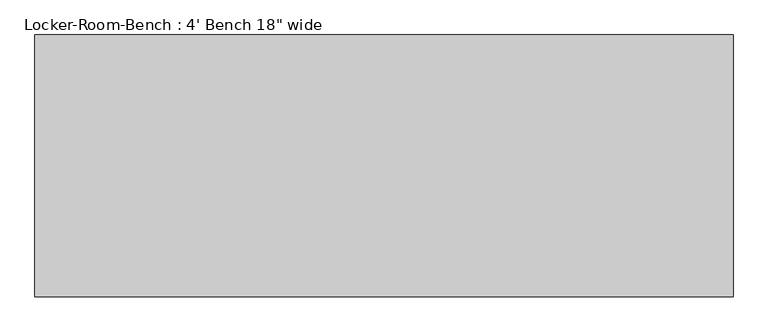
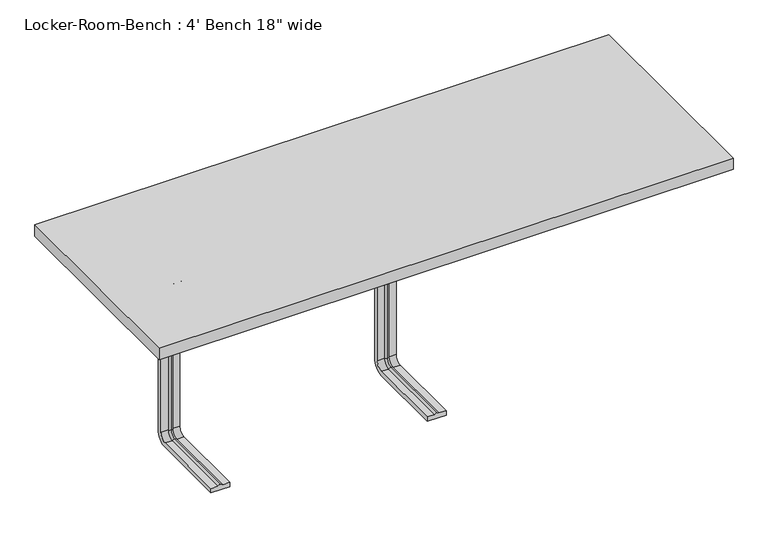
"""IFC4 building model written with IfcOpenShell, lengths in millimetres: proxy geometry."""

from ifc_helpers import new_model, si_unit, point, frame, origin, place, context, project, spatial, polyline, circle_curve, ellipse_curve, trimmed, outline, extrude, source, transform, mapped, element, save
from ifc_brep_helpers import plane_surface, cylinder_surface, revolved_surface, advanced_brep


def proxy_156caa97(model_context):
    return source(origin(), model_context, "Body", "SolidModel", [
        advanced_brep(
        [(-439.6, -193.6, 381.4), (-479.6, -193.6, 381.4), (-479.6, -193.6, 371.4), (-464.6, -193.6, 371.4), (-459.6, -193.6, 369.0684617), (-454.6, -193.6, 371.4), (-439.6, -193.6, 371.4), (-439.6, -25.0, 381.4), (-479.6, -25.0, 381.4), (-479.6, 0.0, 356.4), (-479.6, 0.0, 40.0), (-479.6, -25.0, 15.0), (-479.6, -193.6, 15.0), (-479.6, -193.6, 25.0), (-479.6, -25.0, 25.0), (-479.6, -10.0, 40.0), (-479.6, -10.0, 356.4), (-479.6, -25.0, 371.4), (-464.6, -25.0, 371.4), (-459.6, -25.0, 369.0684617), (-454.6, -25.0, 371.4), (-439.6, -25.0, 371.4), (-439.6, -10.0, 356.4), (-439.6, -10.0, 40.0), (-439.6, -25.0, 25.0), (-439.6, -193.6, 25.0), (-439.6, -193.6, 15.0), (-439.6, -25.0, 15.0), (-439.6, 0.0, 40.0), (-439.6, 0.0, 356.4), (-464.6, -10.0, 356.4), (-459.6, -12.3315383, 356.4), (-454.6, -10.0, 356.4), (-464.6, -10.0, 40.0), (-459.6, -12.3315383, 40.0), (-454.6, -10.0, 40.0), (-464.6, -25.0, 25.0), (-459.6, -25.0, 27.3315383), (-454.6, -25.0, 25.0), (-454.6, -193.6, 25.0), (-459.6, -193.6, 27.3315383), (-464.6, -193.6, 25.0)],
        [
            (0, 1),
            (1, 2),
            (2, 3),
            (3, 4, circle_curve(frame((-459.8996409, -193.6, 374.9529162), z_axis=(0.0, -1.0, 0.0), x_axis=(0.0, 0.0, 1.0)), 5.8920785)),
            (4, 5, circle_curve(frame((-459.3003591, -193.6, 374.9529162), z_axis=(0.0, -1.0, 0.0), x_axis=(0.0, 0.0, 1.0)), 5.8920785)),
            (5, 6),
            (6, 0),
            (0, 7),
            (7, 8),
            (8, 1),
            (8, 9, circle_curve(frame((-479.6, -25.0, 356.4), z_axis=(-1.0, 0.0, 0.0), x_axis=(0.0, 0.0, 1.0)), 25.0)),
            (9, 10),
            (10, 11, circle_curve(frame((-479.6, -25.0, 40.0), z_axis=(-1.0, 0.0, 0.0), x_axis=(0.0, 1.0, 0.0)), 25.0)),
            (11, 12),
            (12, 13),
            (13, 14),
            (14, 15, circle_curve(frame((-479.6, -25.0, 40.0), z_axis=(1.0, 0.0, 0.0), x_axis=(0.0, 1.0, 0.0)), 15.0)),
            (15, 16),
            (16, 17, circle_curve(frame((-479.6, -25.0, 356.4), z_axis=(1.0, 0.0, 0.0), x_axis=(0.0, 0.0, 1.0)), 15.0)),
            (17, 2),
            (17, 18),
            (18, 3),
            (18, 19, circle_curve(frame((-459.8996409, -25.0, 374.9529162), z_axis=(0.0, -1.0, 0.0), x_axis=(0.0, 0.0, 1.0)), 5.8920785)),
            (19, 4),
            (19, 20, circle_curve(frame((-459.3003591, -25.0, 374.9529162), z_axis=(0.0, -1.0, 0.0), x_axis=(0.0, 0.0, 1.0)), 5.8920785)),
            (20, 5),
            (20, 21),
            (21, 6),
            (21, 22, circle_curve(frame((-439.6, -25.0, 356.4), z_axis=(-1.0, 0.0, 0.0), x_axis=(0.0, 0.0, 1.0)), 15.0)),
            (22, 23),
            (23, 24, circle_curve(frame((-439.6, -25.0, 40.0), z_axis=(-1.0, 0.0, 0.0), x_axis=(0.0, 1.0, 0.0)), 15.0)),
            (24, 25),
            (25, 26),
            (26, 27),
            (27, 28, circle_curve(frame((-439.6, -25.0, 40.0), z_axis=(1.0, 0.0, 0.0), x_axis=(0.0, 1.0, 0.0)), 25.0)),
            (28, 29),
            (29, 7, circle_curve(frame((-439.6, -25.0, 356.4), z_axis=(1.0, 0.0, 0.0), x_axis=(0.0, 0.0, 1.0)), 25.0)),
            (29, 9),
            (30, 18, circle_curve(frame((-464.6, -25.0, 356.4), z_axis=(1.0, 0.0, 0.0), x_axis=(0.0, 0.0, 1.0)), 15.0)),
            (16, 30),
            (31, 19, circle_curve(frame((-459.6, -25.0, 356.4), z_axis=(1.0, 0.0, 0.0), x_axis=(0.0, 0.0, 1.0)), 12.6684617)),
            (30, 31, circle_curve(frame((-459.8996409, -6.4470838, 356.4), z_axis=(0.0, 0.0, 1.0), x_axis=(0.0, 1.0, 0.0)), 5.8920785)),
            (32, 20, circle_curve(frame((-454.6, -25.0, 356.4), z_axis=(1.0, 0.0, 0.0), x_axis=(0.0, 0.0, 1.0)), 15.0)),
            (31, 32, circle_curve(frame((-459.3003591, -6.4470838, 356.4), z_axis=(0.0, 0.0, 1.0), x_axis=(0.0, 1.0, 0.0)), 5.8920785)),
            (32, 22),
            (28, 10),
            (15, 33),
            (33, 30),
            (33, 34, circle_curve(frame((-459.8996409, -6.4470838, 40.0), z_axis=(0.0, 0.0, 1.0), x_axis=(0.0, 1.0, 0.0)), 5.8920785)),
            (34, 31),
            (34, 35, circle_curve(frame((-459.3003591, -6.4470838, 40.0), z_axis=(0.0, 0.0, 1.0), x_axis=(0.0, 1.0, 0.0)), 5.8920785)),
            (35, 32),
            (35, 23),
            (27, 11),
            (36, 33, circle_curve(frame((-464.6, -25.0, 40.0), z_axis=(1.0, 0.0, 0.0), x_axis=(0.0, 1.0, 0.0)), 15.0)),
            (14, 36),
            (37, 34, circle_curve(frame((-459.6, -25.0, 40.0), z_axis=(1.0, 0.0, 0.0), x_axis=(0.0, 1.0, 0.0)), 12.6684617)),
            (36, 37, circle_curve(frame((-459.8996409, -25.0, 21.4470838), z_axis=(0.0, 1.0, 0.0), x_axis=(0.0, 0.0, -1.0)), 5.8920785)),
            (38, 35, circle_curve(frame((-454.6, -25.0, 40.0), z_axis=(1.0, 0.0, 0.0), x_axis=(0.0, 1.0, 0.0)), 15.0)),
            (37, 38, circle_curve(frame((-459.3003591, -25.0, 21.4470838), z_axis=(0.0, 1.0, 0.0), x_axis=(0.0, 0.0, -1.0)), 5.8920785)),
            (38, 24),
            (25, 39),
            (39, 40, circle_curve(frame((-459.3003591, -193.6, 21.4470838), z_axis=(0.0, -1.0, 0.0), x_axis=(0.0, 0.0, -1.0)), 5.8920785)),
            (40, 41, circle_curve(frame((-459.8996409, -193.6, 21.4470838), z_axis=(0.0, -1.0, 0.0), x_axis=(0.0, 0.0, -1.0)), 5.8920785)),
            (41, 13),
            (12, 26),
            (41, 36),
            (40, 37),
            (39, 38),
        ],
        [
            plane_surface(frame((-459.6, -193.6, 381.4), z_axis=(0.0, -1.0, 0.0), x_axis=(1.0, 0.0, 0.0))),
            plane_surface(frame((-439.6, -193.6, 381.4), z_axis=(0.0, 0.0, 1.0), x_axis=(0.0, 1.0, 0.0))),
            plane_surface(frame((-479.6, -193.6, 381.4), z_axis=(-1.0, 0.0, 0.0), x_axis=(0.0, 1.0, 0.0))),
            plane_surface(frame((-479.6, -193.6, 371.4), z_axis=(0.0, 0.0, -1.0), x_axis=(0.0, 1.0, 0.0))),
            cylinder_surface(frame((-459.8996409, -193.6, 374.9529162), z_axis=(0.0, -1.0, 0.0), x_axis=(0.0, 0.0, 1.0)), 5.8920785),
            cylinder_surface(frame((-459.3003591, -193.6, 374.9529162), z_axis=(0.0, -1.0, 0.0), x_axis=(0.0, 0.0, 1.0)), 5.8920785),
            plane_surface(frame((-454.6, -193.6, 371.4), z_axis=(0.0, 0.0, -1.0), x_axis=(0.0, 1.0, 0.0))),
            plane_surface(frame((-439.6, -193.6, 371.4), z_axis=(1.0, 0.0, 0.0), x_axis=(0.0, 1.0, 0.0))),
            cylinder_surface(frame((-459.6, -25.0, 356.4), z_axis=(-1.0, 0.0, 0.0), x_axis=(0.0, 0.0, 1.0)), 25.0),
            revolved_surface(polyline([(-479.6, -25.0, 371.4), (-464.6, -25.0, 371.4)]), (-459.6, -25.0, 356.4), (-1.0, 0.0, 0.0)),
            revolved_surface(trimmed(ellipse_curve(frame((-459.8996409, -25.0, 374.9529162), z_axis=(0.0, -1.0, 0.0), x_axis=(0.0, 0.0, 1.0)), 5.8920785, 5.8920785), [point((-464.6, -25.0, 371.4))], [point((-459.6, -25.0, 369.0684617))], True, "CARTESIAN"), (-459.6, -25.0, 356.4), (-1.0, 0.0, 0.0)),
            revolved_surface(trimmed(ellipse_curve(frame((-459.3003591, -25.0, 374.9529162), z_axis=(0.0, -1.0, 0.0), x_axis=(0.0, 0.0, 1.0)), 5.8920785, 5.8920785), [point((-459.6, -25.0, 369.0684617))], [point((-454.6, -25.0, 371.4))], True, "CARTESIAN"), (-459.6, -25.0, 356.4), (-1.0, 0.0, 0.0)),
            revolved_surface(polyline([(-454.6, -25.0, 371.4), (-439.6, -25.0, 371.4)]), (-459.6, -25.0, 356.4), (-1.0, 0.0, 0.0)),
            plane_surface(frame((-439.6, 0.0, 356.4), z_axis=(0.0, 1.0, 0.0), x_axis=(0.0, 0.0, -1.0))),
            plane_surface(frame((-479.6, -10.0, 356.4), z_axis=(0.0, -1.0, 0.0), x_axis=(0.0, 0.0, -1.0))),
            cylinder_surface(frame((-459.8996409, -6.4470838, 356.4), z_axis=(0.0, 0.0, 1.0), x_axis=(0.0, 1.0, 0.0)), 5.8920785),
            cylinder_surface(frame((-459.3003591, -6.4470838, 356.4), z_axis=(0.0, 0.0, 1.0), x_axis=(0.0, 1.0, 0.0)), 5.8920785),
            plane_surface(frame((-454.6, -10.0, 356.4), z_axis=(0.0, -1.0, 0.0), x_axis=(0.0, 0.0, -1.0))),
            cylinder_surface(frame((-459.6, -25.0, 40.0), z_axis=(-1.0, 0.0, 0.0), x_axis=(0.0, 1.0, 0.0)), 25.0),
            revolved_surface(polyline([(-479.6, -10.0, 40.0), (-464.6, -10.0, 40.0)]), (-459.6, -25.0, 40.0), (-1.0, 0.0, 0.0)),
            revolved_surface(trimmed(ellipse_curve(frame((-459.8996409, -6.4470838, 40.0), z_axis=(0.0, 0.0, 1.0), x_axis=(0.0, 1.0, 0.0)), 5.8920785, 5.8920785), [point((-464.6, -10.0, 40.0))], [point((-459.6, -12.3315383, 40.0))], True, "CARTESIAN"), (-459.6, -25.0, 40.0), (-1.0, 0.0, 0.0)),
            revolved_surface(trimmed(ellipse_curve(frame((-459.3003591, -6.4470838, 40.0), z_axis=(0.0, 0.0, 1.0), x_axis=(0.0, 1.0, 0.0)), 5.8920785, 5.8920785), [point((-459.6, -12.3315383, 40.0))], [point((-454.6, -10.0, 40.0))], True, "CARTESIAN"), (-459.6, -25.0, 40.0), (-1.0, 0.0, 0.0)),
            revolved_surface(polyline([(-454.6, -10.0, 40.0), (-439.6, -10.0, 40.0)]), (-459.6, -25.0, 40.0), (-1.0, 0.0, 0.0)),
            plane_surface(frame((-459.6, -193.6, 15.0), z_axis=(0.0, -1.0, 0.0), x_axis=(1.0, 0.0, 0.0))),
            plane_surface(frame((-439.6, -25.0, 15.0), z_axis=(0.0, 0.0, -1.0), x_axis=(0.0, -1.0, 0.0))),
            plane_surface(frame((-479.6, -25.0, 25.0), z_axis=(0.0, 0.0, 1.0), x_axis=(0.0, -1.0, 0.0))),
            cylinder_surface(frame((-459.8996409, -25.0, 21.4470838), z_axis=(0.0, 1.0, 0.0), x_axis=(0.0, 0.0, -1.0)), 5.8920785),
            cylinder_surface(frame((-459.3003591, -25.0, 21.4470838), z_axis=(0.0, 1.0, 0.0), x_axis=(0.0, 0.0, -1.0)), 5.8920785),
            plane_surface(frame((-454.6, -25.0, 25.0), z_axis=(0.0, 0.0, 1.0), x_axis=(0.0, -1.0, 0.0))),
        ],
        [
            (0, [[1, 2, 3, 4, 5, 6, 7]]),
            (1, [[-1, 8, 9, 10]]),
            (2, [[-2, -10, 11, 12, 13, 14, 15, 16, 17, 18, 19, 20]]),
            (3, [[-3, -20, 21, 22]]),
            (4, [[-4, -22, 23, 24]]),
            (5, [[-5, -24, 25, 26]]),
            (6, [[-6, -26, 27, 28]]),
            (7, [[-7, -28, 29, 30, 31, 32, 33, 34, 35, 36, 37, -8]]),
            (8, [[-11, -9, -37, 38]]),
            (9, [[39, -21, -19, 40]]),
            (10, [[41, -23, -39, 42]]),
            (11, [[43, -25, -41, 44]]),
            (12, [[-29, -27, -43, 45]]),
            (13, [[-38, -36, 46, -12]]),
            (14, [[-40, -18, 47, 48]]),
            (15, [[-42, -48, 49, 50]]),
            (16, [[-44, -50, 51, 52]]),
            (17, [[-45, -52, 53, -30]]),
            (18, [[-13, -46, -35, 54]]),
            (19, [[55, -47, -17, 56]]),
            (20, [[57, -49, -55, 58]]),
            (21, [[59, -51, -57, 60]]),
            (22, [[-31, -53, -59, 61]]),
            (23, [[-33, 62, 63, 64, 65, -15, 66]]),
            (24, [[-54, -34, -66, -14]]),
            (25, [[-56, -16, -65, 67]]),
            (26, [[-58, -67, -64, 68]]),
            (27, [[-60, -68, -63, 69]]),
            (28, [[-61, -69, -62, -32]]),
        ],
    ),
        advanced_brep(
        [(20.0, -193.6, 381.4), (-20.0, -193.6, 381.4), (-20.0, -193.6, 371.4), (-5.0, -193.6, 371.4), (0.0, -193.6, 369.0684617), (5.0, -193.6, 371.4), (20.0, -193.6, 371.4), (20.0, -25.0, 381.4), (-20.0, -25.0, 381.4), (-20.0, 0.0, 356.4), (-20.0, 0.0, 40.0), (-20.0, -25.0, 15.0), (-20.0, -193.6, 15.0), (-20.0, -193.6, 25.0), (-20.0, -25.0, 25.0), (-20.0, -10.0, 40.0), (-20.0, -10.0, 356.4), (-20.0, -25.0, 371.4), (-5.0, -25.0, 371.4), (0.0, -25.0, 369.0684617), (5.0, -25.0, 371.4), (20.0, -25.0, 371.4), (20.0, -10.0, 356.4), (20.0, -10.0, 40.0), (20.0, -25.0, 25.0), (20.0, -193.6, 25.0), (20.0, -193.6, 15.0), (20.0, -25.0, 15.0), (20.0, 0.0, 40.0), (20.0, 0.0, 356.4), (-5.0, -10.0, 356.4), (0.0, -12.3315383, 356.4), (5.0, -10.0, 356.4), (-5.0, -10.0, 40.0), (0.0, -12.3315383, 40.0), (5.0, -10.0, 40.0), (-5.0, -25.0, 25.0), (0.0, -25.0, 27.3315383), (5.0, -25.0, 25.0), (5.0, -193.6, 25.0), (0.0, -193.6, 27.3315383), (-5.0, -193.6, 25.0)],
        [
            (0, 1),
            (1, 2),
            (2, 3),
            (3, 4, circle_curve(frame((-0.2996409, -193.6, 374.9529162), z_axis=(0.0, -1.0, 0.0), x_axis=(0.0, 0.0, 1.0)), 5.8920785)),
            (4, 5, circle_curve(frame((0.2996409, -193.6, 374.9529162), z_axis=(0.0, -1.0, 0.0), x_axis=(0.0, 0.0, 1.0)), 5.8920785)),
            (5, 6),
            (6, 0),
            (0, 7),
            (7, 8),
            (8, 1),
            (8, 9, circle_curve(frame((-20.0, -25.0, 356.4), z_axis=(-1.0, 0.0, 0.0), x_axis=(0.0, 0.0, 1.0)), 25.0)),
            (9, 10),
            (10, 11, circle_curve(frame((-20.0, -25.0, 40.0), z_axis=(-1.0, 0.0, 0.0), x_axis=(0.0, 1.0, 0.0)), 25.0)),
            (11, 12),
            (12, 13),
            (13, 14),
            (14, 15, circle_curve(frame((-20.0, -25.0, 40.0), z_axis=(1.0, 0.0, 0.0), x_axis=(0.0, 1.0, 0.0)), 15.0)),
            (15, 16),
            (16, 17, circle_curve(frame((-20.0, -25.0, 356.4), z_axis=(1.0, 0.0, 0.0), x_axis=(0.0, 0.0, 1.0)), 15.0)),
            (17, 2),
            (17, 18),
            (18, 3),
            (18, 19, circle_curve(frame((-0.2996409, -25.0, 374.9529162), z_axis=(0.0, -1.0, 0.0), x_axis=(0.0, 0.0, 1.0)), 5.8920785)),
            (19, 4),
            (19, 20, circle_curve(frame((0.2996409, -25.0, 374.9529162), z_axis=(0.0, -1.0, 0.0), x_axis=(0.0, 0.0, 1.0)), 5.8920785)),
            (20, 5),
            (20, 21),
            (21, 6),
            (21, 22, circle_curve(frame((20.0, -25.0, 356.4), z_axis=(-1.0, 0.0, 0.0), x_axis=(0.0, 0.0, 1.0)), 15.0)),
            (22, 23),
            (23, 24, circle_curve(frame((20.0, -25.0, 40.0), z_axis=(-1.0, 0.0, 0.0), x_axis=(0.0, 1.0, 0.0)), 15.0)),
            (24, 25),
            (25, 26),
            (26, 27),
            (27, 28, circle_curve(frame((20.0, -25.0, 40.0), z_axis=(1.0, 0.0, 0.0), x_axis=(0.0, 1.0, 0.0)), 25.0)),
            (28, 29),
            (29, 7, circle_curve(frame((20.0, -25.0, 356.4), z_axis=(1.0, 0.0, 0.0), x_axis=(0.0, 0.0, 1.0)), 25.0)),
            (29, 9),
            (30, 18, circle_curve(frame((-5.0, -25.0, 356.4), z_axis=(1.0, 0.0, 0.0), x_axis=(0.0, 0.0, 1.0)), 15.0)),
            (16, 30),
            (31, 19, circle_curve(frame((0.0, -25.0, 356.4), z_axis=(1.0, 0.0, 0.0), x_axis=(0.0, 0.0, 1.0)), 12.6684617)),
            (30, 31, circle_curve(frame((-0.2996409, -6.4470838, 356.4), z_axis=(0.0, 0.0, 1.0), x_axis=(0.0, 1.0, 0.0)), 5.8920785)),
            (32, 20, circle_curve(frame((5.0, -25.0, 356.4), z_axis=(1.0, 0.0, 0.0), x_axis=(0.0, 0.0, 1.0)), 15.0)),
            (31, 32, circle_curve(frame((0.2996409, -6.4470838, 356.4), z_axis=(0.0, 0.0, 1.0), x_axis=(0.0, 1.0, 0.0)), 5.8920785)),
            (32, 22),
            (28, 10),
            (15, 33),
            (33, 30),
            (33, 34, circle_curve(frame((-0.2996409, -6.4470838, 40.0), z_axis=(0.0, 0.0, 1.0), x_axis=(0.0, 1.0, 0.0)), 5.8920785)),
            (34, 31),
            (34, 35, circle_curve(frame((0.2996409, -6.4470838, 40.0), z_axis=(0.0, 0.0, 1.0), x_axis=(0.0, 1.0, 0.0)), 5.8920785)),
            (35, 32),
            (35, 23),
            (27, 11),
            (36, 33, circle_curve(frame((-5.0, -25.0, 40.0), z_axis=(1.0, 0.0, 0.0), x_axis=(0.0, 1.0, 0.0)), 15.0)),
            (14, 36),
            (37, 34, circle_curve(frame((0.0, -25.0, 40.0), z_axis=(1.0, 0.0, 0.0), x_axis=(0.0, 1.0, 0.0)), 12.6684617)),
            (36, 37, circle_curve(frame((-0.2996409, -25.0, 21.4470838), z_axis=(0.0, 1.0, 0.0), x_axis=(0.0, 0.0, -1.0)), 5.8920785)),
            (38, 35, circle_curve(frame((5.0, -25.0, 40.0), z_axis=(1.0, 0.0, 0.0), x_axis=(0.0, 1.0, 0.0)), 15.0)),
            (37, 38, circle_curve(frame((0.2996409, -25.0, 21.4470838), z_axis=(0.0, 1.0, 0.0), x_axis=(0.0, 0.0, -1.0)), 5.8920785)),
            (38, 24),
            (25, 39),
            (39, 40, circle_curve(frame((0.2996409, -193.6, 21.4470838), z_axis=(0.0, -1.0, 0.0), x_axis=(0.0, 0.0, -1.0)), 5.8920785)),
            (40, 41, circle_curve(frame((-0.2996409, -193.6, 21.4470838), z_axis=(0.0, -1.0, 0.0), x_axis=(0.0, 0.0, -1.0)), 5.8920785)),
            (41, 13),
            (12, 26),
            (41, 36),
            (40, 37),
            (39, 38),
        ],
        [
            plane_surface(frame((0.0, -193.6, 381.4), z_axis=(0.0, -1.0, 0.0), x_axis=(1.0, 0.0, 0.0))),
            plane_surface(frame((20.0, -193.6, 381.4), z_axis=(0.0, 0.0, 1.0), x_axis=(0.0, 1.0, 0.0))),
            plane_surface(frame((-20.0, -193.6, 381.4), z_axis=(-1.0, 0.0, 0.0), x_axis=(0.0, 1.0, 0.0))),
            plane_surface(frame((-20.0, -193.6, 371.4), z_axis=(0.0, 0.0, -1.0), x_axis=(0.0, 1.0, 0.0))),
            cylinder_surface(frame((-0.2996409, -193.6, 374.9529162), z_axis=(0.0, -1.0, 0.0), x_axis=(0.0, 0.0, 1.0)), 5.8920785),
            cylinder_surface(frame((0.2996409, -193.6, 374.9529162), z_axis=(0.0, -1.0, 0.0), x_axis=(0.0, 0.0, 1.0)), 5.8920785),
            plane_surface(frame((5.0, -193.6, 371.4), z_axis=(0.0, 0.0, -1.0), x_axis=(0.0, 1.0, 0.0))),
            plane_surface(frame((20.0, -193.6, 371.4), z_axis=(1.0, 0.0, 0.0), x_axis=(0.0, 1.0, 0.0))),
            cylinder_surface(frame((0.0, -25.0, 356.4), z_axis=(-1.0, 0.0, 0.0), x_axis=(0.0, 0.0, 1.0)), 25.0),
            revolved_surface(polyline([(-20.0, -25.0, 371.4), (-5.0, -25.0, 371.4)]), (0.0, -25.0, 356.4), (-1.0, 0.0, 0.0)),
            revolved_surface(trimmed(ellipse_curve(frame((-0.2996409, -25.0, 374.9529162), z_axis=(0.0, -1.0, 0.0), x_axis=(0.0, 0.0, 1.0)), 5.8920785, 5.8920785), [point((-5.0, -25.0, 371.4))], [point((0.0, -25.0, 369.0684617))], True, "CARTESIAN"), (0.0, -25.0, 356.4), (-1.0, 0.0, 0.0)),
            revolved_surface(trimmed(ellipse_curve(frame((0.2996409, -25.0, 374.9529162), z_axis=(0.0, -1.0, 0.0), x_axis=(0.0, 0.0, 1.0)), 5.8920785, 5.8920785), [point((0.0, -25.0, 369.0684617))], [point((5.0, -25.0, 371.4))], True, "CARTESIAN"), (0.0, -25.0, 356.4), (-1.0, 0.0, 0.0)),
            revolved_surface(polyline([(5.0, -25.0, 371.4), (20.0, -25.0, 371.4)]), (0.0, -25.0, 356.4), (-1.0, 0.0, 0.0)),
            plane_surface(frame((20.0, 0.0, 356.4), z_axis=(0.0, 1.0, 0.0), x_axis=(0.0, 0.0, -1.0))),
            plane_surface(frame((-20.0, -10.0, 356.4), z_axis=(0.0, -1.0, 0.0), x_axis=(0.0, 0.0, -1.0))),
            cylinder_surface(frame((-0.2996409, -6.4470838, 356.4), z_axis=(0.0, 0.0, 1.0), x_axis=(0.0, 1.0, 0.0)), 5.8920785),
            cylinder_surface(frame((0.2996409, -6.4470838, 356.4), z_axis=(0.0, 0.0, 1.0), x_axis=(0.0, 1.0, 0.0)), 5.8920785),
            plane_surface(frame((5.0, -10.0, 356.4), z_axis=(0.0, -1.0, 0.0), x_axis=(0.0, 0.0, -1.0))),
            cylinder_surface(frame((0.0, -25.0, 40.0), z_axis=(-1.0, 0.0, 0.0), x_axis=(0.0, 1.0, 0.0)), 25.0),
            revolved_surface(polyline([(-20.0, -10.0, 40.0), (-5.0, -10.0, 40.0)]), (0.0, -25.0, 40.0), (-1.0, 0.0, 0.0)),
            revolved_surface(trimmed(ellipse_curve(frame((-0.2996409, -6.4470838, 40.0), z_axis=(0.0, 0.0, 1.0), x_axis=(0.0, 1.0, 0.0)), 5.8920785, 5.8920785), [point((-5.0, -10.0, 40.0))], [point((0.0, -12.3315383, 40.0))], True, "CARTESIAN"), (0.0, -25.0, 40.0), (-1.0, 0.0, 0.0)),
            revolved_surface(trimmed(ellipse_curve(frame((0.2996409, -6.4470838, 40.0), z_axis=(0.0, 0.0, 1.0), x_axis=(0.0, 1.0, 0.0)), 5.8920785, 5.8920785), [point((0.0, -12.3315383, 40.0))], [point((5.0, -10.0, 40.0))], True, "CARTESIAN"), (0.0, -25.0, 40.0), (-1.0, 0.0, 0.0)),
            revolved_surface(polyline([(5.0, -10.0, 40.0), (20.0, -10.0, 40.0)]), (0.0, -25.0, 40.0), (-1.0, 0.0, 0.0)),
            plane_surface(frame((0.0, -193.6, 15.0), z_axis=(0.0, -1.0, 0.0), x_axis=(1.0, 0.0, 0.0))),
            plane_surface(frame((20.0, -25.0, 15.0), z_axis=(0.0, 0.0, -1.0), x_axis=(0.0, -1.0, 0.0))),
            plane_surface(frame((-20.0, -25.0, 25.0), z_axis=(0.0, 0.0, 1.0), x_axis=(0.0, -1.0, 0.0))),
            cylinder_surface(frame((-0.2996409, -25.0, 21.4470838), z_axis=(0.0, 1.0, 0.0), x_axis=(0.0, 0.0, -1.0)), 5.8920785),
            cylinder_surface(frame((0.2996409, -25.0, 21.4470838), z_axis=(0.0, 1.0, 0.0), x_axis=(0.0, 0.0, -1.0)), 5.8920785),
            plane_surface(frame((5.0, -25.0, 25.0), z_axis=(0.0, 0.0, 1.0), x_axis=(0.0, -1.0, 0.0))),
        ],
        [
            (0, [[1, 2, 3, 4, 5, 6, 7]]),
            (1, [[-1, 8, 9, 10]]),
            (2, [[-2, -10, 11, 12, 13, 14, 15, 16, 17, 18, 19, 20]]),
            (3, [[-3, -20, 21, 22]]),
            (4, [[-4, -22, 23, 24]]),
            (5, [[-5, -24, 25, 26]]),
            (6, [[-6, -26, 27, 28]]),
            (7, [[-7, -28, 29, 30, 31, 32, 33, 34, 35, 36, 37, -8]]),
            (8, [[-11, -9, -37, 38]]),
            (9, [[39, -21, -19, 40]]),
            (10, [[41, -23, -39, 42]]),
            (11, [[43, -25, -41, 44]]),
            (12, [[-29, -27, -43, 45]]),
            (13, [[-38, -36, 46, -12]]),
            (14, [[-40, -18, 47, 48]]),
            (15, [[-42, -48, 49, 50]]),
            (16, [[-44, -50, 51, 52]]),
            (17, [[-45, -52, 53, -30]]),
            (18, [[-13, -46, -35, 54]]),
            (19, [[55, -47, -17, 56]]),
            (20, [[57, -49, -55, 58]]),
            (21, [[59, -51, -57, 60]]),
            (22, [[-31, -53, -59, 61]]),
            (23, [[-33, 62, 63, 64, 65, -15, 66]]),
            (24, [[-54, -34, -66, -14]]),
            (25, [[-56, -16, -65, 67]]),
            (26, [[-58, -67, -64, 68]]),
            (27, [[-60, -68, -63, 69]]),
            (28, [[-61, -69, -62, -32]]),
        ],
    ),
        extrude(outline(polyline([(609.6, 228.6), (609.6, -228.6), (-609.6, -228.6), (-609.6, 228.6), (609.6, 228.6)])), frame((0.0, 0.0, 381.4), z_axis=(0.0, 0.0, 1.0), x_axis=(1.0, 0.0, 0.0)), (0.0, 0.0, 1.0), 25.0),
    ])


if __name__ == "__main__":
    model = new_model("IFC4")
    model_context = context("Model", 3, world=origin())
    ifc_project = project(units=[si_unit("LENGTHUNIT", "METRE", prefix="MILLI")], contexts=[model_context])
    site = spatial("IfcSite", under=ifc_project)
    building = spatial("IfcBuilding", under=site)
    placement = place(None, origin())
    proxy_shape = proxy_156caa97(model_context)
    element("IfcBuildingElementProxy", 1, Name="Locker-Room-Bench : 4' Bench 18\" wide", ObjectType="Locker-Room-Bench : 4' Bench 18\" wide", at=placement, inside=building, context=model_context, shape_type="MappedRepresentation", body=[
        mapped(proxy_shape, transform((0.0, 0.0, 0.0), x_axis=(1.0, 0.0, 0.0), y_axis=(0.0, 1.0, 0.0), z_axis=(0.0, 0.0, 1.0))),
    ])
    save(model, "model.ifc")
